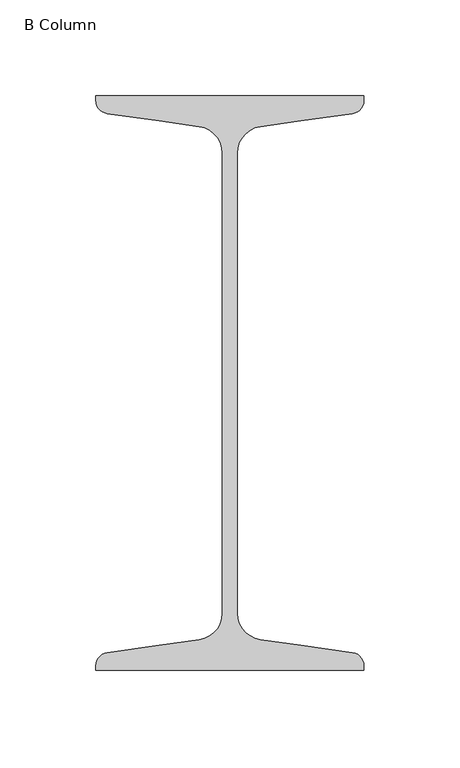
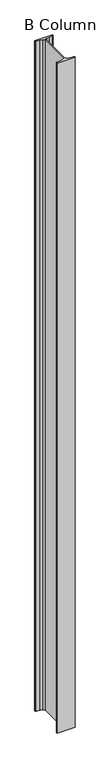
"""IFC4 building model written with IfcOpenShell, lengths in millimetres: column geometry, B Column."""

from ifc_helpers import new_model, si_unit, point, frame, frame_2d, origin, place, context, project, spatial, polyline, circle_curve, trimmed, segment, composite_curve, outline, extrude, source, transform, mapped, element, save


def b_column_3a00b4d8(model_context):
    return source(origin(), model_context, "Body", "SweptSolid", [
        extrude(outline(composite_curve([segment(polyline([(-70.0, 150.0), (70.0, 150.0), (70.0, 147.6333953)]), True, "CONTINUOUS"), segment(trimmed(circle_curve(frame_2d((63.0, 147.6333953)), 7.0), [point((70.0, 147.6333953))], [point((63.9742117, 140.7015188))], False, "CARTESIAN"), True, "CONTINUOUS"), segment(polyline([(63.9742117, 140.7015188), (36.925, 136.9), (15.9015766, 133.9453505)]), True, "CONTINUOUS"), segment(trimmed(circle_curve(frame_2d((17.85, 120.0815976)), 14.0), [point((15.9015766, 133.9453505))], [point((3.85, 120.0815976))], True, "CARTESIAN"), True, "CONTINUOUS"), segment(polyline([(3.85, 120.0815976), (3.85, -120.0815976)]), True, "CONTINUOUS"), segment(trimmed(circle_curve(frame_2d((17.85, -120.0815976)), 14.0), [point((3.85, -120.0815976))], [point((15.9015766, -133.9453505))], True, "CARTESIAN"), True, "CONTINUOUS"), segment(polyline([(15.9015766, -133.9453505), (36.925, -136.9), (63.9742117, -140.7015188)]), True, "CONTINUOUS"), segment(trimmed(circle_curve(frame_2d((63.0, -147.6333953)), 7.0), [point((63.9742117, -140.7015188))], [point((70.0, -147.6333953))], False, "CARTESIAN"), True, "CONTINUOUS"), segment(polyline([(70.0, -147.6333953), (70.0, -150.0), (-70.0, -150.0), (-70.0, -147.6333953)]), True, "CONTINUOUS"), segment(trimmed(circle_curve(frame_2d((-63.0, -147.6333953)), 7.0), [point((-70.0, -147.6333953))], [point((-63.9742117, -140.7015188))], False, "CARTESIAN"), True, "CONTINUOUS"), segment(polyline([(-63.9742117, -140.7015188), (-36.925, -136.9), (-15.9015766, -133.9453505)]), True, "CONTINUOUS"), segment(trimmed(circle_curve(frame_2d((-17.85, -120.0815976)), 14.0), [point((-15.9015766, -133.9453505))], [point((-3.85, -120.0815976))], True, "CARTESIAN"), True, "CONTINUOUS"), segment(polyline([(-3.85, -120.0815976), (-3.85, 120.0815976)]), True, "CONTINUOUS"), segment(trimmed(circle_curve(frame_2d((-17.85, 120.0815976)), 14.0), [point((-3.85, 120.0815976))], [point((-15.9015766, 133.9453505))], True, "CARTESIAN"), True, "CONTINUOUS"), segment(polyline([(-15.9015766, 133.9453505), (-36.925, 136.9), (-63.9742117, 140.7015188)]), True, "CONTINUOUS"), segment(trimmed(circle_curve(frame_2d((-63.0, 147.6333953)), 7.0), [point((-63.9742117, 140.7015188))], [point((-70.0, 147.6333953))], False, "CARTESIAN"), True, "CONTINUOUS"), segment(polyline([(-70.0, 147.6333953), (-70.0, 150.0)]), True, "CONTINUOUS")], self_intersect=False)), frame((0.0, 0.0, -2500.0), z_axis=(0.0, 0.0, 1.0), x_axis=(1.0, 0.0, 0.0)), (0.0, 0.0, 1.0), 5500.0),
    ])


if __name__ == "__main__":
    model = new_model("IFC4")
    model_context = context("Model", 3, world=origin())
    ifc_project = project(units=[si_unit("LENGTHUNIT", "METRE", prefix="MILLI")], contexts=[model_context])
    site = spatial("IfcSite", under=ifc_project)
    building = spatial("IfcBuilding", under=site)
    placement = place(None, origin())
    b_column_shape = b_column_3a00b4d8(model_context)
    element("IfcColumn", 1, ObjectType="B Column", at=placement, inside=building, context=model_context, shape_type="MappedRepresentation", body=[
        mapped(b_column_shape, transform((0.0, 0.0, 0.0), x_axis=(1.0, 0.0, 0.0), y_axis=(0.0, 1.0, 0.0), z_axis=(0.0, 0.0, 1.0))),
    ])
    save(model, "model.ifc")
